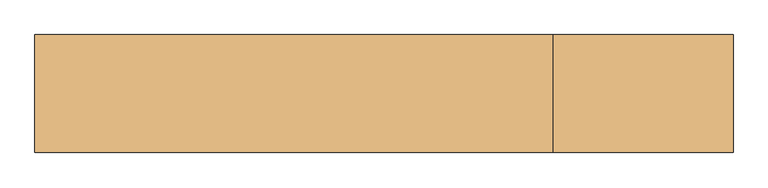
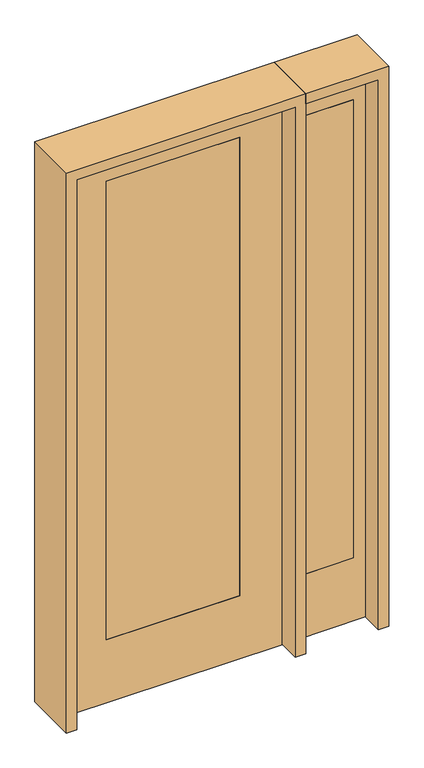
"""IFC4 building model written with IfcOpenShell, lengths in millimetres: door geometry."""

from ifc_helpers import new_model, si_unit, frame, origin, place, context, project, spatial, polyline, outline, extrude, source, transform, mapped, element, save


def door_6a88c9b9(model_context):
    return source(origin(), model_context, "Body", "SweptSolid", [
        extrude(outline(polyline([(552.45, -20.6375), (552.45, 20.6375), (755.65, 20.6375), (755.65, -20.6375), (552.45, -20.6375)])), frame((0.0, 0.0, 279.4), z_axis=(0.0, 0.0, 1.0), x_axis=(1.0, 0.0, 0.0)), (0.0, 0.0, 1.0), 2032.0),
        extrude(outline(polyline([(0.0, 806.45), (2438.4, 806.45), (2438.4, 501.65), (0.0, 501.65), (0.0, 806.45)]), holes=[polyline([(2311.4, 552.45), (2311.4, 755.65), (279.4, 755.65), (279.4, 552.45), (2311.4, 552.45)])]), frame((0.0, -20.6375, 0.0), z_axis=(0.0, 1.0, 0.0), x_axis=(0.0, 0.0, 1.0)), (0.0, 0.0, 1.0), 41.275),
        extrude(outline(polyline([(2438.4, 457.2), (2438.4, -457.2), (0.0, -457.2), (0.0, 457.2), (2438.4, 457.2)]), holes=[polyline([(279.4, 279.4), (279.4, -279.4), (2311.4, -279.4), (2311.4, 279.4), (279.4, 279.4)])]), frame((0.0, -20.6375, 0.0), z_axis=(0.0, 1.0, 0.0), x_axis=(0.0, 0.0, 1.0)), (0.0, 0.0, 1.0), 41.275),
        extrude(outline(polyline([(279.4, -20.6375), (-279.4, -20.6375), (-279.4, 20.6375), (279.4, 20.6375), (279.4, -20.6375)])), frame((0.0, 0.0, 279.4), z_axis=(0.0, 0.0, 1.0), x_axis=(1.0, 0.0, 0.0)), (0.0, 0.0, 1.0), 2032.0),
        extrude(outline(polyline([(2482.85, -501.65), (0.0, -501.65), (0.0, -457.2), (2438.4, -457.2), (2438.4, 457.2), (0.0, 457.2), (0.0, 501.65), (2482.85, 501.65), (2482.85, -501.65)])), frame((0.0, -114.3, 0.0), z_axis=(0.0, 1.0, 0.0), x_axis=(0.0, 0.0, 1.0)), (0.0, 0.0, 1.0), 228.6),
        extrude(outline(polyline([(0.0, 806.45), (0.0, 850.9), (2482.85, 850.9), (2482.85, 501.65), (2438.4, 501.65), (2438.4, 806.45), (0.0, 806.45)])), frame((0.0, -114.3, 0.0), z_axis=(0.0, 1.0, 0.0), x_axis=(0.0, 0.0, 1.0)), (0.0, 0.0, 1.0), 228.6),
    ])


if __name__ == "__main__":
    model = new_model("IFC4")
    model_context = context("Model", 3, world=origin())
    ifc_project = project(units=[si_unit("LENGTHUNIT", "METRE", prefix="MILLI")], contexts=[model_context])
    site = spatial("IfcSite", under=ifc_project)
    building = spatial("IfcBuilding", under=site)
    placement = place(None, origin())
    door_shape = door_6a88c9b9(model_context)
    element("IfcDoor", 1, at=placement, inside=building, context=model_context, shape_type="MappedRepresentation", body=[
        mapped(door_shape, transform((0.0, 0.0, 0.0), x_axis=(1.0, 0.0, 0.0), y_axis=(0.0, 1.0, 0.0), z_axis=(0.0, 0.0, 1.0))),
    ])
    save(model, "model.ifc")
